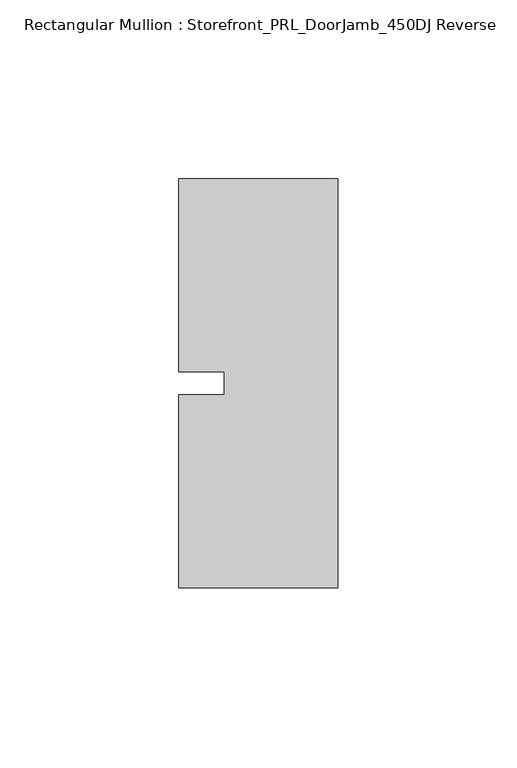
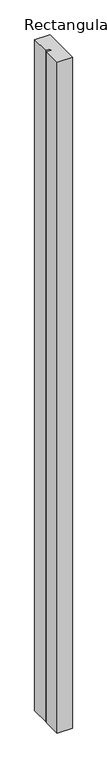
"""IFC4 building model written with IfcOpenShell, lengths in millimetres: member geometry, Rectangular Mullion : Storefront_PRL_DoorJamb_450DJ Reverse."""

from ifc_helpers import new_model, si_unit, frame, origin, place, context, project, spatial, polyline, outline, extrude, source, transform, mapped, element, save


def rectangular_mullion_storefront_prl_doorjamb_450dj_reverse_1d366fc8(model_context):
    return source(origin(), model_context, "Body", "SweptSolid", [
        extrude(outline(polyline([(-9.525, -3.175), (-9.525, 3.175), (-22.225, 3.175), (-22.225, 57.15), (22.225, 57.15), (22.225, -57.15), (-22.225, -57.15), (-22.225, -3.175), (-9.525, -3.175)])), frame((0.0, 0.0, -2082.8), z_axis=(0.0, 0.0, 1.0), x_axis=(1.0, 0.0, 0.0)), (0.0, 0.0, 1.0), 2082.8),
    ])


if __name__ == "__main__":
    model = new_model("IFC4")
    model_context = context("Model", 3, world=origin())
    ifc_project = project(units=[si_unit("LENGTHUNIT", "METRE", prefix="MILLI")], contexts=[model_context])
    site = spatial("IfcSite", under=ifc_project)
    building = spatial("IfcBuilding", under=site)
    placement = place(None, origin())
    rectangular_mullion_storefront_prl_doorjamb_450dj_reverse_shape = rectangular_mullion_storefront_prl_doorjamb_450dj_reverse_1d366fc8(model_context)
    element("IfcMember", 1, ObjectType="Rectangular Mullion : Storefront_PRL_DoorJamb_450DJ Reverse", at=placement, inside=building, context=model_context, shape_type="MappedRepresentation", body=[
        mapped(rectangular_mullion_storefront_prl_doorjamb_450dj_reverse_shape, transform((0.0, 0.0, 0.0), x_axis=(1.0, 0.0, 0.0), y_axis=(0.0, 1.0, 0.0), z_axis=(0.0, 0.0, 1.0))),
    ])
    save(model, "model.ifc")
